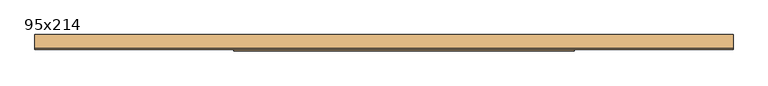
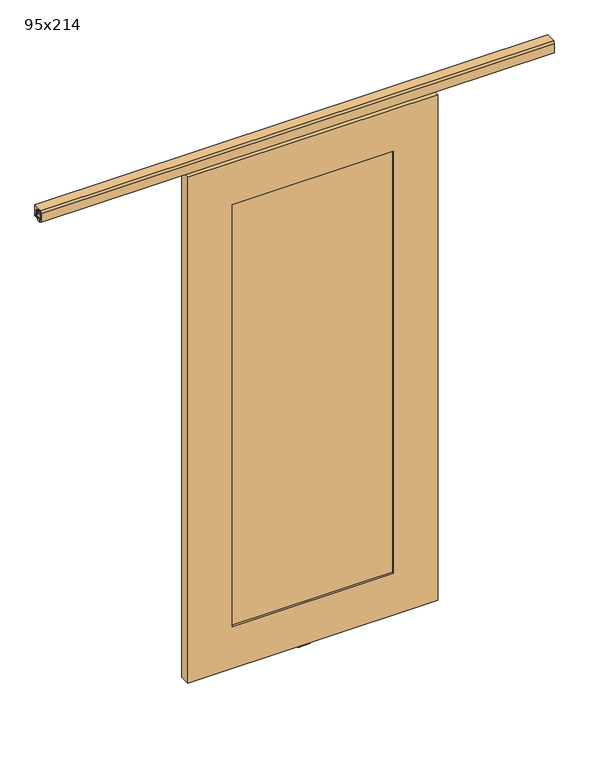
"""IFC4 building model written with IfcOpenShell, lengths in millimetres: door geometry, 95x214."""

from ifc_helpers import new_model, si_unit, frame, origin, place, context, project, spatial, polyline, outline, extrude, faceted_brep, source, transform, mapped, element, save


def door_95x214_fb51cef7(model_context):
    return source(origin(), model_context, "Body", "SolidModel", [
        extrude(outline(polyline([(210.8, -93.1173299), (856.0, -93.1173299), (856.0, -118.5173299), (210.8, -118.5173299), (210.8, -93.1173299)])), frame((0.0, 0.0, 184.15), z_axis=(0.0, 0.0, 1.0), x_axis=(1.0, 0.0, 0.0)), (0.0, 0.0, 1.0), 1784.4),
        faceted_brep([(1033.8, -84.93125, 2146.35), (1033.8, -84.93125, 6.35), (33.0, -84.93125, 6.35), (33.0, -84.93125, 2146.35), (856.0, -84.93125, 1968.55), (210.8, -84.93125, 1968.55), (210.8, -84.93125, 184.15), (856.0, -84.93125, 184.15), (1033.8, -126.20625, 2146.35), (33.0, -126.20625, 2146.35), (33.0, -126.20625, 6.35), (1033.8, -126.20625, 6.35), (856.0, -126.20625, 1968.55), (856.0, -126.20625, 184.15), (210.8, -126.20625, 184.15), (210.8, -126.20625, 1968.55), (39.35, -94.45625, 6.35), (39.35, -116.68125, 6.35), (1027.45, -116.68125, 6.35), (1027.45, -94.45625, 6.35), (39.35, -94.45625, 19.05), (39.35, -116.68125, 19.05), (1027.45, -94.45625, 19.05), (1027.45, -116.68125, 19.05)], [[[0, 1, 2, 3], [4, 5, 6, 7]], [[8, 9, 10, 11], [12, 13, 14, 15]], [[1, 0, 8, 11]], [[2, 1, 11, 10], [16, 17, 18, 19]], [[3, 2, 10, 9]], [[0, 3, 9, 8]], [[5, 4, 12, 15]], [[6, 5, 15, 14]], [[7, 6, 14, 13]], [[4, 7, 13, 12]], [[20, 21, 17, 16]], [[22, 19, 18, 23]], [[20, 16, 19, 22]], [[17, 21, 23, 18]], [[21, 20, 22, 23]]]),
        extrude(outline(polyline([(-89.0002848, 3.96875), (-89.0002848, 0.0), (-122.7346598, 0.0), (-122.7346598, 3.96875), (-110.8284098, 3.96875), (-110.8284098, 23.8125), (-100.9065348, 23.8125), (-100.9065348, 3.96875), (-89.0002848, 3.96875)])), frame((475.0, 0.0, 0.0), z_axis=(1.0, 0.0, 0.0), x_axis=(0.0, 1.0, 0.0)), (0.0, 0.0, 1.0), 50.8),
        extrude(outline(polyline([(-110.2666602, 2194.5170224), (-110.2666602, 2192.1019124), (-119.8183154, 2192.1019124), (-119.8183154, 2162.9194632), (-118.2607047, 2162.9194632), (-118.2607047, 2160.0874438), (-113.7294737, 2160.0874438), (-113.7294737, 2157.9634293), (-122.3596637, 2157.9634293), (-122.3596637, 2194.5170224), (-110.2666602, 2194.5170224)])), frame((-551.2, 0.0, 0.0), z_axis=(1.0, 0.0, 0.0), x_axis=(0.0, 1.0, 0.0)), (0.0, 0.0, 1.0), 2052.4),
        extrude(outline(polyline([(-101.4466138, 2194.5170224), (-89.4134133, 2194.5170224), (-89.4134133, 2157.9634293), (-98.0436034, 2157.9634293), (-98.0436034, 2160.0874438), (-93.5123723, 2160.0874438), (-93.5123723, 2162.9194632), (-91.9547616, 2162.9194632), (-91.9547616, 2192.1019124), (-101.4466138, 2192.1019124), (-101.4466138, 2194.5170224)])), frame((-551.2, 0.0, 0.0), z_axis=(1.0, 0.0, 0.0), x_axis=(0.0, 1.0, 0.0)), (0.0, 0.0, 1.0), 2052.4),
        extrude(outline(polyline([(-93.5123723, 2169.7195308), (-93.5123723, 2159.2417073), (-98.0436034, 2159.2417073), (-98.0436034, 2169.7195308), (-113.7892767, 2169.7195308), (-113.7892767, 2177.0154167), (-118.3205078, 2177.0154167), (-118.3205078, 2169.7195308), (-119.8781184, 2169.7195308), (-119.8781184, 2182.4195308), (-118.3205078, 2182.4195308), (-118.3205078, 2191.2561759), (-113.6897325, 2191.2561759), (-113.6897325, 2182.4195308), (-98.1431476, 2182.4195308), (-98.1431476, 2191.2561759), (-93.5123723, 2191.2561759), (-93.5123723, 2182.4195308), (-91.9547616, 2182.4195308), (-91.9547616, 2169.7195308), (-93.5123723, 2169.7195308)])), frame((-551.2, 0.0, 0.0), z_axis=(1.0, 0.0, 0.0), x_axis=(0.0, 1.0, 0.0)), (0.0, 0.0, 1.0), 2052.4),
        extrude(outline(polyline([(-551.2, -112.7288605), (-551.2, -98.9057993), (1501.2, -98.9057993), (1501.2, -112.7288605), (-551.2, -112.7288605)])), frame((0.0, 0.0, 2153.703846), z_axis=(0.0, 0.0, 1.0), x_axis=(1.0, 0.0, 0.0)), (0.0, 0.0, 1.0), 15.0490822),
        extrude(outline(polyline([(-78.3065387, 2206.0403012), (-78.3065387, 2159.2090512), (-89.4190387, 2159.2090512), (-89.4190387, 2162.3609868), (-85.0377298, 2162.3609868), (-85.0377298, 2169.6969603), (-83.0690387, 2171.6656513), (-83.0690387, 2190.7156513), (-89.4190387, 2190.7156513), (-89.4190387, 2194.9278012), (-99.5392457, 2194.9278012), (-99.5392457, 2198.058535), (-96.39144, 2198.058535), (-96.39144, 2201.2720123), (-115.44144, 2201.2720123), (-115.44144, 2198.058535), (-112.2936343, 2198.058535), (-112.2936343, 2194.9278012), (-122.3596637, 2194.9278012), (-119.3820783, 2206.0403012), (-78.3065387, 2206.0403012)])), frame((-551.2, 0.0, 0.0), z_axis=(1.0, 0.0, 0.0), x_axis=(0.0, 1.0, 0.0)), (0.0, 0.0, 1.0), 2052.4),
    ])


if __name__ == "__main__":
    model = new_model("IFC4")
    model_context = context("Model", 3, world=origin())
    ifc_project = project(units=[si_unit("LENGTHUNIT", "METRE", prefix="MILLI")], contexts=[model_context])
    site = spatial("IfcSite", under=ifc_project)
    building = spatial("IfcBuilding", under=site)
    placement = place(None, origin())
    door_95x214_shape = door_95x214_fb51cef7(model_context)
    element("IfcDoor", 1, ObjectType="95x214", at=placement, inside=building, context=model_context, shape_type="MappedRepresentation", body=[
        mapped(door_95x214_shape, transform((0.0, 0.0, 0.0), x_axis=(1.0, 0.0, 0.0), y_axis=(0.0, 1.0, 0.0), z_axis=(0.0, 0.0, 1.0))),
    ])
    save(model, "model.ifc")
